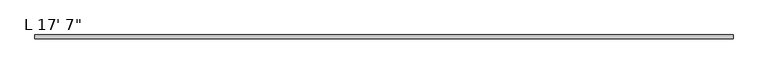
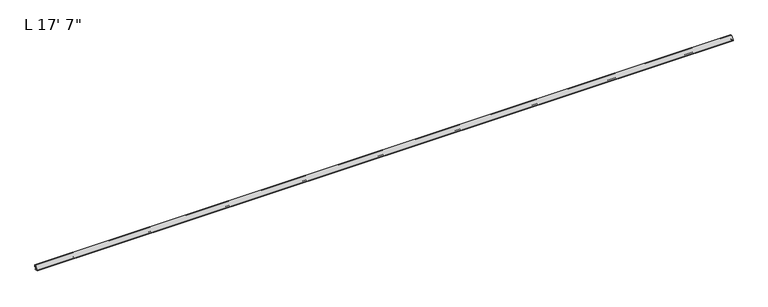
"""IFC4 building model written with IfcOpenShell, lengths in millimetres: proxy geometry."""

import ifcopenshell
import ifcopenshell.guid

model = None  # the IFC model being written
_history = None  # IfcOwnerHistory: only IFC2X3 demands one
_inside = {}  # id of a spatial element -> (the spatial element, [elements in it])
_under = {}  # id of a project, library or spatial element -> (it, [spatial elements below it])
_declared = {}  # id of a project -> (the project, [libraries it declares])
_typed = {}  # id of a type object -> (the type object, [elements of that type])
_made_of = {}  # id of a material, layer set ... -> (it, [elements and type objects made of it])


def new_model(schema):
    """Start an empty IFC model of exactly this schema.

    Asked for "IFC4X3", IfcOpenShell would pick the latest addendum, in which some entities
    have other attributes; the version numbers below select the first issue.
    IFC2X3 requires an IfcOwnerHistory on every rooted entity: one is made here for all.
    """
    global model, _history
    if schema == "IFC4X3":
        model = ifcopenshell.file(schema_version=(4, 3, 0, 0))
    else:
        model = ifcopenshell.file(schema=schema)
    _inside.clear()
    _under.clear()
    _declared.clear()
    _typed.clear()
    _made_of.clear()
    _history = None
    if model.schema == "IFC2X3":
        org = make("IfcOrganization", Name="unknown")
        user = make(
            "IfcPersonAndOrganization",
            ThePerson=make("IfcPerson", FamilyName="unknown"),
            TheOrganization=org,
        )
        app = make(
            "IfcApplication",
            ApplicationDeveloper=org,
            Version="unknown",
            ApplicationFullName="unknown",
            ApplicationIdentifier="unknown",
        )
        _history = make(
            "IfcOwnerHistory",
            OwningUser=user,
            OwningApplication=app,
            ChangeAction="ADDED",
            CreationDate=0,
        )
    return model


def make(cls, **values):
    """One entity of the class cls with the attributes given. An attribute that is None is left unset."""
    return model.create_entity(
        cls, **{name: value for name, value in values.items() if value is not None}
    )


def rooted(cls, **values):
    """An entity with a GlobalId (a new one), such as an element, a storey or a relation."""
    return make(cls, GlobalId=ifcopenshell.guid.new(), OwnerHistory=_history, **values)


def si_unit(unit_type, name, prefix=None):
    """IfcSIUnit, for example si_unit("LENGTHUNIT", "METRE", prefix="MILLI")."""
    return make("IfcSIUnit", UnitType=unit_type, Prefix=prefix, Name=name)


def assignment(units):
    """IfcUnitAssignment: the units of a project."""
    return None if units is None else make("IfcUnitAssignment", Units=units)


def point(xyz):
    """IfcCartesianPoint."""
    return None if xyz is None else make("IfcCartesianPoint", Coordinates=xyz)


def direction(xyz):
    """IfcDirection."""
    return None if xyz is None else make("IfcDirection", DirectionRatios=xyz)


def frame(location, z_axis=None, x_axis=None):
    """IfcAxis2Placement3D, a coordinate frame: its origin and axes. An axis left out is left unset."""
    return make(
        "IfcAxis2Placement3D",
        Location=point(location),
        Axis=direction(z_axis),
        RefDirection=direction(x_axis),
    )


def origin():
    """The frame at (0, 0, 0) with its axes left unset."""
    return frame((0.0, 0.0, 0.0))


def place(relative_to, where):
    """IfcLocalPlacement: puts the frame where relative to a parent placement (None: the world)."""
    return make(
        "IfcLocalPlacement", PlacementRelTo=relative_to, RelativePlacement=where
    )


def context(
    kind, dimensions, precision=None, world=None, true_north=None, identifier=None
):
    """IfcGeometricRepresentationContext, for example the 3D "Model" context."""
    return make(
        "IfcGeometricRepresentationContext",
        ContextIdentifier=identifier,
        ContextType=kind,
        CoordinateSpaceDimension=dimensions,
        Precision=precision,
        WorldCoordinateSystem=world,
        TrueNorth=true_north,
    )


def project(units=None, contexts=None):
    """IfcProject with its units and contexts."""
    return rooted(
        "IfcProject",
        Name="project",
        RepresentationContexts=contexts,
        UnitsInContext=assignment(units),
    )


def spatial(cls, under=None, at=None, **own):
    """A site, building, storey or space (cls), placed at a placement, below another one or the project."""
    s = rooted(cls, ObjectPlacement=at, **own)
    if under is not None:
        _under.setdefault(under.id(), (under, []))[1].append(s)
    return s


def polyline(points):
    """IfcPolyline through the points."""
    return make("IfcPolyline", Points=[point(p) for p in points])


def circle_curve(where, radius):
    """IfcCircle in the frame where."""
    return make("IfcCircle", Position=where, Radius=radius)


def shape(context_of_items, identifier, shape_type, items):
    """IfcShapeRepresentation: the items that make up one representation, for example the "Body"."""
    return make(
        "IfcShapeRepresentation",
        ContextOfItems=context_of_items,
        RepresentationIdentifier=identifier,
        RepresentationType=shape_type,
        Items=items,
    )


def source(mapping_origin, context_of_items, identifier, shape_type, items):
    """IfcRepresentationMap: a shape defined once, which mapped items show again and again."""
    return make(
        "IfcRepresentationMap",
        MappingOrigin=mapping_origin,
        MappedRepresentation=shape(context_of_items, identifier, shape_type, items),
    )


def transform(
    local_origin,
    x_axis=None,
    y_axis=None,
    z_axis=None,
    scale=None,
    scale2=None,
    scale3=None,
    uniform=True,
):
    """IfcCartesianTransformationOperator3D, or its non-uniform kind. x_axis, y_axis, z_axis: its Axis1, 2, 3."""
    if uniform:
        return make(
            "IfcCartesianTransformationOperator3D",
            Axis1=direction(x_axis),
            Axis2=direction(y_axis),
            LocalOrigin=point(local_origin),
            Scale=scale,
            Axis3=direction(z_axis),
        )
    return make(
        "IfcCartesianTransformationOperator3DnonUniform",
        Axis1=direction(x_axis),
        Axis2=direction(y_axis),
        LocalOrigin=point(local_origin),
        Scale=scale,
        Axis3=direction(z_axis),
        Scale2=scale2,
        Scale3=scale3,
    )


def mapped(mapping_source, mapping_target):
    """IfcMappedItem: shows the shape of a source again, moved by a transform."""
    return make(
        "IfcMappedItem", MappingSource=mapping_source, MappingTarget=mapping_target
    )


def made_of(thing, what):
    """Note that an element or type object is made of a material, layer set ...; save() writes the relation."""
    if what is not None:
        _made_of.setdefault(what.id(), (what, []))[1].append(thing)
    return thing


def element(
    cls,
    number,
    at=None,
    inside=None,
    cuts=None,
    type_object=None,
    material=None,
    context=None,
    identifier="Body",
    shape_type=None,
    held_by="IfcProductDefinitionShape",
    body=None,
    shapes=None,
    **own,
):
    """One element of the class cls, such as IfcWall. Its Tag is "e" and its number.

    at: its placement. inside: the storey or other place that contains it. cuts: it is an
    opening in that element (IfcRelVoidsElement). A single representation is given by context,
    identifier, shape_type and body (its items); several are given by shapes. held_by: the class
    of the entity that holds the representations. save() writes the other relations.
    """
    e = rooted(cls, Tag="e%d" % number, ObjectPlacement=at, **own)
    if body is not None:
        shapes = [shape(context, identifier, shape_type, body)]
    if shapes is not None:
        e.Representation = make(held_by, Representations=shapes)
    if inside is not None:
        _inside.setdefault(inside.id(), (inside, []))[1].append(e)
    if cuts is not None:
        rooted(
            "IfcRelVoidsElement", RelatingBuildingElement=cuts, RelatedOpeningElement=e
        )
    if type_object is not None:
        _typed.setdefault(type_object.id(), (type_object, []))[1].append(e)
    return made_of(e, material)


def aggregate(whole, parts):
    """IfcRelAggregates: a whole, such as a stair, and the parts it consists of."""
    return rooted("IfcRelAggregates", RelatingObject=whole, RelatedObjects=parts)


def save(model, path):
    """Write the relations noted so far, then the file.

    IfcRelAggregates (storeys below a building ...), IfcRelContainedInSpatialStructure (elements
    in a storey), IfcRelDefinesByType, IfcRelAssociatesMaterial and IfcRelDeclares: one each for
    every whole, place, type object, material and project.
    """
    for whole, parts in _under.values():
        aggregate(whole, parts)
    for where, things in _inside.values():
        rooted(
            "IfcRelContainedInSpatialStructure",
            RelatedElements=things,
            RelatingStructure=where,
        )
    for kind, things in _typed.values():
        rooted("IfcRelDefinesByType", RelatedObjects=things, RelatingType=kind)
    for what, things in _made_of.values():
        rooted("IfcRelAssociatesMaterial", RelatedObjects=things, RelatingMaterial=what)
    for by, libraries in _declared.values():
        rooted("IfcRelDeclares", RelatingContext=by, RelatedDefinitions=libraries)
    model.write(path)


def plane_surface(at):
    """IfcPlane: the flat surface through the origin of the frame at, square to its z axis."""
    return make("IfcPlane", Position=at)


def cylinder_surface(at, radius):
    """IfcCylindricalSurface: all points at the distance radius from the z axis of the frame at."""
    return make("IfcCylindricalSurface", Position=at, Radius=radius)


def revolved_surface(curve, axis_point, axis_direction):
    """IfcSurfaceOfRevolution: the curve turned about the line through axis_point along axis_direction."""
    return make(
        "IfcSurfaceOfRevolution",
        SweptCurve=make("IfcArbitraryOpenProfileDef", ProfileType="CURVE", Curve=curve),
        AxisPosition=make("IfcAxis1Placement", Location=point(axis_point), Axis=direction(axis_direction)),
    )


def advanced_brep(points, edges, surfaces, faces):
    """IfcAdvancedBrep: a solid bounded by faces that lie on surfaces and meet in shared edges.

    An edge is (start, end): straight between two places in points (the first is 0);
    or (start, end, curve); or (start, end, curve, False) where it runs against its curve.
    A face is (place in surfaces, loops), or (place, loops, False) where it looks against
    its surface's normal. A loop lists edges by number (the first is 1), with a minus sign
    where the edge is run from its end to its start. The first loop is the outer one.
    """
    corners = [point(p) for p in points]
    vertices = [make("IfcVertexPoint", VertexGeometry=c) for c in corners]
    made = []
    for start, end, *more in edges:
        made.append(
            make(
                "IfcEdgeCurve",
                EdgeStart=vertices[start],
                EdgeEnd=vertices[end],
                EdgeGeometry=more[0] if more else make("IfcPolyline", Points=[corners[start], corners[end]]),
                SameSense=more[1] if len(more) > 1 else True,
            )
        )
    hull = []
    for where, loops, *sense in faces:
        bounds = []
        for j, loop in enumerate(loops):
            ring = [make("IfcOrientedEdge", EdgeElement=made[abs(k) - 1], Orientation=k > 0) for k in loop]
            bounds.append(
                make(
                    "IfcFaceOuterBound" if j == 0 else "IfcFaceBound",
                    Bound=make("IfcEdgeLoop", EdgeList=ring),
                    Orientation=True,
                )
            )
        hull.append(make("IfcAdvancedFace", Bounds=bounds, FaceSurface=surfaces[where], SameSense=sense[0] if sense else True))
    return make("IfcAdvancedBrep", Outer=make("IfcClosedShell", CfsFaces=hull))


def proxy_d86f5d66(model_context):
    return source(origin(), model_context, "Body", "AdvancedBrep", [
        advanced_brep(
        [(5359.4, -9.9409866, 13.2079309), (5359.4, -25.2852988, 13.2299581), (5359.4, -26.8577822, 15.0181548), (5359.4, -3.421819, 38.3869285), (5359.4, -1.6381444, 36.8093175), (5359.4, -1.6445801, 32.3261378), (5359.4, -3.2187765, 30.7409724), (5359.4, -4.8423977, 30.4486422), (5359.4, -5.8886785, 28.9585271), (5359.4, -5.8942106, 25.1047795), (5359.4, -4.408503, 24.3218465), (5359.4, -4.408503, 25.2753318), (5359.4, -4.6453387, 26.1592146), (5359.4, -4.408503, 27.0430975), (5359.4, -4.6453387, 27.9269803), (5359.4, -4.3772219, 28.9276058), (5359.4, -2.0782154, 28.964728), (5359.4, -1.8001518, 27.9269803), (5359.4, -2.0369875, 27.0430975), (5359.4, -1.8001518, 26.1592146), (5359.4, -2.0369875, 25.2753318), (5359.4, -2.0369875, 24.3042215), (5359.4, -0.7961613, 24.3024403), (5359.4, 0.0, 25.0974594), (5359.4, 0.0, 40.1811514), (5359.4, -28.661793, 11.6473035), (5359.4, -24.9209577, 11.6419334), (5359.4, -21.7713609, 11.6374121), (5359.4, -17.1866657, 11.6308306), (5359.4, -14.0370689, 11.6263093), (5359.4, -11.2811717, 11.6223531), (5359.4, -9.6959523, 10.0325759), (5359.4, -7.9637322, 10.0325759), (5359.4, -8.1699585, 9.0623577), (5359.4, -7.9490433, 8.2919351), (5359.4, -8.1398857, 7.5265082), (5359.4, -7.972318, 6.7214745), (5359.4, -8.1655958, 5.9462793), (5359.4, -7.9834986, 5.0714427), (5359.4, -8.1776372, 4.2927955), (5359.4, -7.9880038, 3.3817532), (5359.4, -8.1786509, 2.4848291), (5359.4, -7.9862027, 1.6851507), (5359.4, -8.1553262, 0.8894873), (5359.4, -7.8893268, 0.0060645), (5359.4, -6.1091347, 0.0), (5359.4, -5.5808077, 0.6581076), (5359.4, -5.9684988, 1.3575208), (5359.4, -5.6321023, 2.0789255), (5359.4, -5.9631778, 2.7889192), (5359.4, -5.6042879, 3.5585611), (5359.4, -5.934397, 4.2664822), (5359.4, -5.5944321, 4.9955392), (5359.4, -5.9294957, 5.7140853), (5359.4, -5.5991801, 6.4224493), (5359.4, -6.0051261, 7.0980568), (5359.4, -5.5986989, 7.8345551), (5359.4, -5.9337229, 8.5870312), (5359.4, -5.5657997, 9.2789941), (5359.4, -5.8977295, 9.99082), (5359.4, -5.8977295, 11.6146251), (0.0, -9.9409866, 13.2079309), (0.0, -5.8977295, 11.6146251), (0.0, -5.8977295, 9.99082), (0.0, -9.6959523, 10.0325759), (0.0, -11.2811717, 11.6223531), (0.0, -14.0370689, 11.6263093), (0.0, -17.1866657, 11.6308306), (0.0, -21.7713609, 11.6374121), (0.0, -24.9209577, 11.6419334), (0.0, -28.661793, 11.6473035), (0.0, 0.0, 40.1811514), (0.0, 0.0, 25.0974594), (0.0, -0.7961613, 24.3024403), (0.0, -2.0369875, 24.3042215), (0.0, -2.0369875, 25.2753318), (0.0, -1.8001518, 26.1592146), (0.0, -2.0369875, 27.0430975), (0.0, -1.8001518, 27.9269803), (0.0, -2.0782154, 28.964728), (0.0, -4.3772219, 28.9276058), (0.0, -4.6453387, 27.9269803), (0.0, -4.408503, 27.0430975), (0.0, -4.6453387, 26.1592146), (0.0, -4.408503, 25.2753318), (0.0, -4.408503, 24.3218465), (0.0, -5.8942106, 25.1047795), (0.0, -5.8886785, 28.9585271), (0.0, -4.8423977, 30.4486422), (0.0, -3.2187765, 30.7409724), (0.0, -1.6445801, 32.3261378), (0.0, -1.6381444, 36.8093175), (0.0, -3.421819, 38.3869285), (0.0, -26.8577822, 15.0181548), (0.0, -25.2852988, 13.2299581), (50.8, -5.8977295, 10.0325759), (50.8, -7.9637322, 10.0325759), (50.8, -8.1699585, 9.0623577), (50.8, -7.9490433, 8.2919351), (50.8, -8.1398857, 7.5265082), (50.8, -7.972318, 6.7214745), (50.8, -8.1655958, 5.9462793), (50.8, -7.9834986, 5.0714427), (50.8, -8.1776372, 4.2927955), (50.8, -7.9880038, 3.3817532), (50.8, -8.1786509, 2.4848291), (50.8, -7.9862027, 1.6851507), (50.8, -8.1553262, 0.8894873), (50.8, -7.8893268, 0.0060645), (50.8, -6.1091347, 0.0), (50.8, -5.5808077, 0.6581076), (50.8, -5.9684988, 1.3575208), (50.8, -5.6321023, 2.0789255), (50.8, -5.9631778, 2.7889192), (50.8, -5.6042879, 3.5585611), (50.8, -5.934397, 4.2664822), (50.8, -5.5944321, 4.9955392), (50.8, -5.9294957, 5.7140853), (50.8, -5.5991801, 6.4224493), (50.8, -6.0051261, 7.0980568), (50.8, -5.5986989, 7.8345551), (50.8, -5.9337229, 8.5870312), (50.8, -5.5657997, 9.2789941)],
        [
            (0, 1),
            (1, 2, circle_curve(frame((5359.4, -25.2830199, 14.8174564), z_axis=(-1.0, 0.0, 0.0), x_axis=(0.0, 1.0, 0.0)), 1.5875)),
            (2, 3, circle_curve(frame((5359.4, -0.0868224, 11.6062833), z_axis=(-1.0, 0.0, 0.0), x_axis=(0.0, 1.0, 0.0)), 26.9875)),
            (3, 4, circle_curve(frame((5359.4, -3.2256427, 36.8115964), z_axis=(-1.0, 0.0, 0.0), x_axis=(0.0, 1.0, 0.0)), 1.5875)),
            (4, 5),
            (5, 6, circle_curve(frame((5359.4, -3.2320785, 32.3284167), z_axis=(-1.0, 0.0, 0.0), x_axis=(0.0, 1.0, 0.0)), 1.5875)),
            (6, 7, circle_curve(frame((5359.4, -3.1778658, 25.8587375), z_axis=(1.0, 0.0, 0.0), x_axis=(0.0, 1.0, 0.0)), 4.8824063)),
            (7, 8, circle_curve(frame((5359.4, -4.3011801, 28.9562482), z_axis=(1.0, 0.0, 0.0), x_axis=(0.0, 1.0, 0.0)), 1.5875)),
            (8, 9),
            (9, 10, circle_curve(frame((5359.4, -4.6497232, 25.6652219), z_axis=(1.0, 0.0, 0.0), x_axis=(0.0, 1.0, 0.0)), 1.3648606)),
            (10, 11),
            (11, 12),
            (12, 13),
            (13, 14),
            (14, 15),
            (15, 16, circle_curve(frame((5359.4, -3.1778658, 25.8587375), z_axis=(-1.0, 0.0, 0.0), x_axis=(0.0, 1.0, 0.0)), 3.2949063)),
            (16, 17),
            (17, 18),
            (18, 19),
            (19, 20),
            (20, 21),
            (21, 22),
            (22, 23, circle_curve(frame((5359.4, -0.79502, 25.0974594), z_axis=(1.0, 0.0, 0.0), x_axis=(0.0, 1.0, 0.0)), 0.79502)),
            (23, 24),
            (24, 25, circle_curve(frame((5359.4, -0.0868224, 11.6062833), z_axis=(1.0, 0.0, 0.0), x_axis=(0.0, 1.0, 0.0)), 28.575)),
            (25, 26),
            (26, 27, circle_curve(frame((5359.4, -23.3461593, 11.6396728), z_axis=(1.0, 0.0, 0.0), x_axis=(0.0, 1.0, 0.0)), 1.5748)),
            (27, 28),
            (28, 29, circle_curve(frame((5359.4, -15.6117367, 11.7195553), z_axis=(1.0, 0.0, 0.0), x_axis=(0.0, 1.0, 0.0)), 1.5774262)),
            (29, 30),
            (30, 31, circle_curve(frame((5359.4, -11.2834506, 10.0348548), z_axis=(-1.0, 0.0, 0.0), x_axis=(0.0, 1.0, 0.0)), 1.5875)),
            (31, 32),
            (32, 33),
            (33, 34),
            (34, 35),
            (35, 36),
            (36, 37),
            (37, 38),
            (38, 39),
            (39, 40),
            (40, 41),
            (41, 42),
            (42, 43),
            (43, 44),
            (44, 45, circle_curve(frame((5359.4, -7.0030343, -1.113481), z_axis=(-1.0, 0.0, 0.0), x_axis=(0.0, 1.0, 0.0)), 1.4278993)),
            (45, 46),
            (46, 47),
            (47, 48),
            (48, 49),
            (49, 50),
            (50, 51),
            (51, 52),
            (52, 53),
            (53, 54),
            (54, 55),
            (55, 56),
            (56, 57),
            (57, 58),
            (58, 59),
            (59, 60),
            (60, 0),
            (61, 62),
            (62, 63),
            (63, 64),
            (64, 65, circle_curve(frame((0.0, -11.2834506, 10.0348548), z_axis=(1.0, 0.0, 0.0), x_axis=(0.0, 1.0, 0.0)), 1.5875)),
            (65, 66),
            (66, 67, circle_curve(frame((0.0, -15.6117367, 11.7195553), z_axis=(-1.0, 0.0, 0.0), x_axis=(0.0, 1.0, 0.0)), 1.5774262)),
            (67, 68),
            (68, 69, circle_curve(frame((0.0, -23.3461593, 11.6396728), z_axis=(-1.0, 0.0, 0.0), x_axis=(0.0, 1.0, 0.0)), 1.5748)),
            (69, 70),
            (70, 71, circle_curve(frame((0.0, -0.0868224, 11.6062833), z_axis=(-1.0, 0.0, 0.0), x_axis=(0.0, 1.0, 0.0)), 28.575)),
            (71, 72),
            (72, 73, circle_curve(frame((0.0, -0.79502, 25.0974594), z_axis=(-1.0, 0.0, 0.0), x_axis=(0.0, 1.0, 0.0)), 0.79502)),
            (73, 74),
            (74, 75),
            (75, 76),
            (76, 77),
            (77, 78),
            (78, 79),
            (79, 80, circle_curve(frame((0.0, -3.1778658, 25.8587375), z_axis=(1.0, 0.0, 0.0), x_axis=(0.0, 1.0, 0.0)), 3.2949063)),
            (80, 81),
            (81, 82),
            (82, 83),
            (83, 84),
            (84, 85),
            (85, 86, circle_curve(frame((0.0, -4.6497232, 25.6652219), z_axis=(-1.0, 0.0, 0.0), x_axis=(0.0, 1.0, 0.0)), 1.3648606)),
            (86, 87),
            (87, 88, circle_curve(frame((0.0, -4.3011801, 28.9562482), z_axis=(-1.0, 0.0, 0.0), x_axis=(0.0, 1.0, 0.0)), 1.5875)),
            (88, 89, circle_curve(frame((0.0, -3.1778658, 25.8587375), z_axis=(-1.0, 0.0, 0.0), x_axis=(0.0, 1.0, 0.0)), 4.8824063)),
            (89, 90, circle_curve(frame((0.0, -3.2320785, 32.3284167), z_axis=(1.0, 0.0, 0.0), x_axis=(0.0, 1.0, 0.0)), 1.5875)),
            (90, 91),
            (91, 92, circle_curve(frame((0.0, -3.2256427, 36.8115964), z_axis=(1.0, 0.0, 0.0), x_axis=(0.0, 1.0, 0.0)), 1.5875)),
            (92, 93, circle_curve(frame((0.0, -0.0868224, 11.6062833), z_axis=(1.0, 0.0, 0.0), x_axis=(0.0, 1.0, 0.0)), 26.9875)),
            (93, 94, circle_curve(frame((0.0, -25.2830199, 14.8174564), z_axis=(1.0, 0.0, 0.0), x_axis=(0.0, 1.0, 0.0)), 1.5875)),
            (94, 61),
            (0, 61),
            (94, 1),
            (93, 2),
            (92, 3),
            (91, 4),
            (90, 5),
            (89, 6),
            (88, 7),
            (87, 8),
            (86, 9),
            (85, 10),
            (84, 11),
            (83, 12),
            (82, 13),
            (81, 14),
            (80, 15),
            (79, 16),
            (78, 17),
            (77, 18),
            (76, 19),
            (75, 20),
            (74, 21),
            (73, 22),
            (72, 23),
            (71, 24),
            (70, 25),
            (69, 26),
            (68, 27),
            (67, 28),
            (66, 29),
            (65, 30),
            (64, 31),
            (63, 95),
            (95, 96),
            (96, 32),
            (96, 97),
            (97, 33),
            (97, 98),
            (98, 34),
            (98, 99),
            (99, 35),
            (99, 100),
            (100, 36),
            (100, 101),
            (101, 37),
            (101, 102),
            (102, 38),
            (102, 103),
            (103, 39),
            (103, 104),
            (104, 40),
            (104, 105),
            (105, 41),
            (105, 106),
            (106, 42),
            (106, 107),
            (107, 43),
            (107, 108),
            (108, 44),
            (108, 109, circle_curve(frame((50.8, -7.0030343, -1.113481), z_axis=(-1.0, 0.0, 0.0), x_axis=(0.0, 1.0, 0.0)), 1.4278993)),
            (109, 45),
            (109, 110),
            (110, 46),
            (110, 111),
            (111, 47),
            (111, 112),
            (112, 48),
            (112, 113),
            (113, 49),
            (113, 114),
            (114, 50),
            (114, 115),
            (115, 51),
            (115, 116),
            (116, 52),
            (116, 117),
            (117, 53),
            (117, 118),
            (118, 54),
            (118, 119),
            (119, 55),
            (119, 120),
            (120, 56),
            (120, 121),
            (121, 57),
            (121, 122),
            (122, 58),
            (122, 95),
            (95, 59),
            (62, 60),
        ],
        [
            plane_surface(frame((5359.4, -25.2852988, 13.2299581), z_axis=(1.0000000000000002, 0.0, 0.0), x_axis=(0.0, -0.9999989696321183, 0.0014355259321180123))),
            plane_surface(frame((0.0, -25.2852988, 13.2299581), z_axis=(-1.0000000000000002, 0.0, 0.0), x_axis=(0.0, 0.9999989696321183, -0.0014355259321180123))),
            plane_surface(frame((5359.4, -9.9409866, 13.2079309), z_axis=(0.0, 0.0014355259321180123, 0.9999989696321183), x_axis=(-1.0, 0.0, 0.0))),
            revolved_surface(polyline([(0.0, -23.6955199, 14.8174564), (5359.4, -23.6955199, 14.8174564)]), (0.0, -25.2830199, 14.8174564), (-1.0, 0.0, 0.0)),
            revolved_surface(polyline([(0.0, 26.9006776, 11.6062833), (5359.4, 26.9006776, 11.6062833)]), (0.0, -0.0868224, 11.6062833), (-1.0, 0.0, 0.0)),
            revolved_surface(polyline([(0.0, -1.6381427, 36.8115964), (5359.4, -1.6381427, 36.8115964)]), (0.0, -3.2256427, 36.8115964), (-1.0, 0.0, 0.0)),
            plane_surface(frame((5359.4, -1.6381444, 36.8093175), z_axis=(0.0, -0.9999989696321232, 0.0014355259287207938), x_axis=(-1.0, 0.0, 0.0))),
            revolved_surface(polyline([(0.0, -1.6445785000000002, 32.3284167), (5359.4, -1.6445785000000002, 32.3284167)]), (0.0, -3.2320785, 32.3284167), (-1.0, 0.0, 0.0)),
            cylinder_surface(frame((0.0, -3.1778658, 25.8587375), z_axis=(1.0, 0.0, 0.0), x_axis=(0.0, 1.0, 0.0)), 4.8824063),
            cylinder_surface(frame((0.0, -4.3011801, 28.9562482), z_axis=(1.0, 0.0, 0.0), x_axis=(0.0, 1.0, 0.0)), 1.5875),
            plane_surface(frame((5359.4, -5.8886785, 28.9585271), z_axis=(0.0, -0.9999989696323093, 0.0014355257991508098), x_axis=(-1.0, 0.0, 0.0))),
            cylinder_surface(frame((0.0, -4.6497232, 25.6652219), z_axis=(1.0, 0.0, 0.0), x_axis=(0.0, 1.0, 0.0)), 1.3648606),
            plane_surface(frame((5359.4, -4.408503, 24.3218465), z_axis=(0.0, 1.0, 0.0), x_axis=(-1.0, 0.0, 0.0))),
            plane_surface(frame((5359.4, -4.408503, 25.2753318), z_axis=(0.0, 0.965925826289068, 0.2588190451025222), x_axis=(-1.0, 0.0, 0.0))),
            plane_surface(frame((5359.4, -4.6453387, 26.1592146), z_axis=(0.0, 0.965925826289067, -0.2588190451025257), x_axis=(-1.0, 0.0, 0.0))),
            plane_surface(frame((5359.4, -4.408503, 27.0430975), z_axis=(0.0, 0.9659258262890689, 0.25881904510251874), x_axis=(-1.0, 0.0, 0.0))),
            plane_surface(frame((5359.4, -4.6453387, 27.9269803), z_axis=(0.0, 0.9659258262890673, -0.25881904510252446), x_axis=(-1.0, 0.0, 0.0))),
            revolved_surface(polyline([(0.0, 0.11704049999999988, 25.8587375), (5359.4, 0.11704049999999988, 25.8587375)]), (0.0, -3.1778658, 25.8587375), (-1.0, 0.0, 0.0)),
            plane_surface(frame((5359.4, -2.0782154, 28.964728), z_axis=(0.0, -0.9659258262890682, -0.2588190451025213), x_axis=(-1.0, 0.0, 0.0))),
            plane_surface(frame((5359.4, -1.8001518, 27.9269803), z_axis=(0.0, -0.9659258262890678, 0.2588190451025232), x_axis=(-1.0, 0.0, 0.0))),
            plane_surface(frame((5359.4, -2.0369875, 27.0430975), z_axis=(0.0, -0.9659258262890688, -0.25881904510251924), x_axis=(-1.0, 0.0, 0.0))),
            plane_surface(frame((5359.4, -1.8001518, 26.1592146), z_axis=(0.0, -0.9659258262890672, 0.25881904510252524), x_axis=(-1.0, 0.0, 0.0))),
            plane_surface(frame((5359.4, -2.0369875, 25.2753318), z_axis=(0.0, -1.0, 0.0), x_axis=(-1.0, 0.0, 0.0))),
            plane_surface(frame((5359.4, -2.0369875, 24.3042215), z_axis=(0.0, -0.0014355258693928513, -0.9999989696322084), x_axis=(-1.0, 0.0, 0.0))),
            cylinder_surface(frame((0.0, -0.79502, 25.0974594), z_axis=(1.0, 0.0, 0.0), x_axis=(0.0, 1.0, 0.0)), 0.79502),
            plane_surface(frame((5359.4, 0.0, 25.0974594), z_axis=(0.0, 1.0, -1.6740181840680922e-12), x_axis=(-1.0, 0.0, 0.0))),
            cylinder_surface(frame((0.0, -0.0868224, 11.6062833), z_axis=(1.0, 0.0, 0.0), x_axis=(0.0, 1.0, 0.0)), 28.575),
            plane_surface(frame((5359.4, -28.661793, 11.6473035), z_axis=(0.0, -0.0014355259265452364, -0.9999989696321263), x_axis=(-1.0, 0.0, 0.0))),
            cylinder_surface(frame((0.0, -23.3461593, 11.6396728), z_axis=(1.0, 0.0, 0.0), x_axis=(0.0, 1.0, 0.0)), 1.5748),
            plane_surface(frame((5359.4, -21.7713609, 11.6374121), z_axis=(0.0, -0.0014355259252456774, -0.9999989696321282), x_axis=(-1.0, 0.0, 0.0))),
            cylinder_surface(frame((0.0, -15.6117367, 11.7195553), z_axis=(1.0, 0.0, 0.0), x_axis=(0.0, 1.0, 0.0)), 1.5774262),
            plane_surface(frame((5359.4, -14.0370689, 11.6263093), z_axis=(0.0, -0.0014355258904069552, -0.9999989696321782), x_axis=(-1.0, 0.0, 0.0))),
            revolved_surface(polyline([(0.0, -9.6959506, 10.0348548), (5359.4, -9.6959506, 10.0348548)]), (0.0, -11.2834506, 10.0348548), (-1.0, 0.0, 0.0)),
            plane_surface(frame((5359.4, -9.6959523, 10.0325759), z_axis=(0.0, 0.0, -1.0), x_axis=(-1.0, 0.0, 0.0))),
            plane_surface(frame((5359.4, -7.9637322, 10.0325759), z_axis=(0.0, -0.9781476007338082, 0.20791169081774724), x_axis=(-1.0, 0.0, 0.0))),
            plane_surface(frame((5359.4, -8.1699585, 9.0623577), z_axis=(0.0, -0.9612616959383189, -0.275637355816999), x_axis=(-1.0, 0.0, 0.0))),
            plane_surface(frame((5359.4, -7.9490433, 8.2919351), z_axis=(0.0, -0.9702957262759963, 0.2419218955996685), x_axis=(-1.0, 0.0, 0.0))),
            plane_surface(frame((5359.4, -8.1398857, 7.5265082), z_axis=(0.0, -0.979016250472178, -0.20378219085925484), x_axis=(-1.0, 0.0, 0.0))),
            plane_surface(frame((5359.4, -7.972318, 6.7214745), z_axis=(0.0, -0.9702957262759963, 0.24192189559966876), x_axis=(-1.0, 0.0, 0.0))),
            plane_surface(frame((5359.4, -8.1655958, 5.9462793), z_axis=(0.0, -0.9790162504721779, -0.20378219085925506), x_axis=(-1.0, 0.0, 0.0))),
            plane_surface(frame((5359.4, -7.9834986, 5.0714427), z_axis=(0.0, -0.9702957262759974, 0.24192189559966443), x_axis=(-1.0, 0.0, 0.0))),
            plane_surface(frame((5359.4, -8.1776372, 4.2927955), z_axis=(0.0, -0.9790162504721778, -0.20378219085925559), x_axis=(-1.0, 0.0, 0.0))),
            plane_surface(frame((5359.4, -7.9880038, 3.3817532), z_axis=(0.0, -0.978147600733807, 0.20791169081775282), x_axis=(-1.0, 0.0, 0.0))),
            plane_surface(frame((5359.4, -8.1786509, 2.4848291), z_axis=(0.0, -0.9722421717392606, -0.23397683537420133), x_axis=(-1.0, 0.0, 0.0))),
            plane_surface(frame((5359.4, -7.9862027, 1.6851507), z_axis=(0.0, -0.978147600733807, 0.2079116908177529), x_axis=(-1.0, 0.0, 0.0))),
            plane_surface(frame((5359.4, -8.1553262, 0.8894873), z_axis=(0.0, -0.9575356612911569, -0.2883148580210653), x_axis=(-1.0, 0.0, 0.0))),
            revolved_surface(polyline([(50.8, -5.575135, -1.113481), (5359.4, -5.575135, -1.113481)]), (0.0, -7.0030343, -1.113481), (-1.0, 0.0, 0.0)),
            plane_surface(frame((5359.4, -6.1091347, 0.0), z_axis=(0.0, 0.7798035897341163, -0.6260242498799756), x_axis=(-1.0, 0.0, 0.0))),
            plane_surface(frame((5359.4, -5.5808077, 0.6581076), z_axis=(0.0, 0.8746197071393959, 0.48480962024633695), x_axis=(-1.0, 0.0, 0.0))),
            plane_surface(frame((5359.4, -5.9684988, 1.3575208), z_axis=(0.0, 0.9063077870366543, -0.42261826174069034), x_axis=(-1.0, 0.0, 0.0))),
            plane_surface(frame((5359.4, -5.6321023, 2.0789255), z_axis=(0.0, 0.9063077870366497, 0.4226182617407002), x_axis=(-1.0, 0.0, 0.0))),
            plane_surface(frame((5359.4, -5.9631778, 2.7889192), z_axis=(0.0, 0.9063077870366467, -0.4226182617407064), x_axis=(-1.0, 0.0, 0.0))),
            plane_surface(frame((5359.4, -5.6042879, 3.5585611), z_axis=(0.0, 0.9063077870366527, 0.4226182617406936), x_axis=(-1.0, 0.0, 0.0))),
            plane_surface(frame((5359.4, -5.934397, 4.2664822), z_axis=(0.0, 0.9063077870366474, -0.4226182617407052), x_axis=(-1.0, 0.0, 0.0))),
            plane_surface(frame((5359.4, -5.5944321, 4.9955392), z_axis=(0.0, 0.9063077870366503, 0.42261826174069883), x_axis=(-1.0, 0.0, 0.0))),
            plane_surface(frame((5359.4, -5.9294957, 5.7140853), z_axis=(0.0, 0.9063077870366522, -0.4226182617406949), x_axis=(-1.0, 0.0, 0.0))),
            plane_surface(frame((5359.4, -5.5991801, 6.4224493), z_axis=(0.0, 0.8571673007021121, 0.5150380749100546), x_axis=(-1.0, 0.0, 0.0))),
            plane_surface(frame((5359.4, -6.0051261, 7.0980568), z_axis=(0.0, 0.8755358100350454, -0.48315323174566155), x_axis=(-1.0, 0.0, 0.0))),
            plane_surface(frame((5359.4, -5.5986989, 7.8345551), z_axis=(0.0, 0.9135454576426009, 0.4067366430758003), x_axis=(-1.0, 0.0, 0.0))),
            plane_surface(frame((5359.4, -5.9337229, 8.5870312), z_axis=(0.0, 0.8829475928589274, -0.46947156278588986), x_axis=(-1.0, 0.0, 0.0))),
            plane_surface(frame((5359.4, -5.5657997, 9.2789941), z_axis=(0.0, 0.9063077870366524, 0.4226182617406945), x_axis=(-1.0, 0.0, 0.0))),
            plane_surface(frame((5359.4, -5.8977295, 9.99082), z_axis=(0.0, 1.0, 0.0), x_axis=(-1.0, 0.0, 0.0))),
            plane_surface(frame((5359.4, -5.8977295, 11.6146251), z_axis=(0.0, 0.36662562361540507, 0.9303685571366948), x_axis=(-1.0, 0.0, 0.0))),
            plane_surface(frame((50.8, -10.2605909, 0.0), z_axis=(-1.0, 0.0, 0.0), x_axis=(0.0, 1.0, 0.0))),
        ],
        [
            (0, [[1, 2, 3, 4, 5, 6, 7, 8, 9, 10, 11, 12, 13, 14, 15, 16, 17, 18, 19, 20, 21, 22, 23, 24, 25, 26, 27, 28, 29, 30, 31, 32, 33, 34, 35, 36, 37, 38, 39, 40, 41, 42, 43, 44, 45, 46, 47, 48, 49, 50, 51, 52, 53, 54, 55, 56, 57, 58, 59, 60, 61]]),
            (1, [[62, 63, 64, 65, 66, 67, 68, 69, 70, 71, 72, 73, 74, 75, 76, 77, 78, 79, 80, 81, 82, 83, 84, 85, 86, 87, 88, 89, 90, 91, 92, 93, 94, 95]]),
            (2, [[-1, 96, -95, 97]]),
            (3, [[-2, -97, -94, 98]]),
            (4, [[-3, -98, -93, 99]]),
            (5, [[-4, -99, -92, 100]]),
            (6, [[-5, -100, -91, 101]]),
            (7, [[-6, -101, -90, 102]]),
            (8, [[-7, -102, -89, 103]]),
            (9, [[-8, -103, -88, 104]]),
            (10, [[-9, -104, -87, 105]]),
            (11, [[-10, -105, -86, 106]]),
            (12, [[-11, -106, -85, 107]]),
            (13, [[-12, -107, -84, 108]]),
            (14, [[-13, -108, -83, 109]]),
            (15, [[-14, -109, -82, 110]]),
            (16, [[-15, -110, -81, 111]]),
            (17, [[-16, -111, -80, 112]]),
            (18, [[-17, -112, -79, 113]]),
            (19, [[-18, -113, -78, 114]]),
            (20, [[-19, -114, -77, 115]]),
            (21, [[-20, -115, -76, 116]]),
            (22, [[-21, -116, -75, 117]]),
            (23, [[-22, -117, -74, 118]]),
            (24, [[-23, -118, -73, 119]]),
            (25, [[-24, -119, -72, 120]]),
            (26, [[-25, -120, -71, 121]]),
            (27, [[-26, -121, -70, 122]]),
            (28, [[-27, -122, -69, 123]]),
            (29, [[-28, -123, -68, 124]]),
            (30, [[-29, -124, -67, 125]]),
            (31, [[-30, -125, -66, 126]]),
            (32, [[127, -31, -126, -65]]),
            (33, [[-32, -127, -64, 128, 129, 130]]),
            (34, [[-33, -130, 131, 132]]),
            (35, [[-34, -132, 133, 134]]),
            (36, [[-35, -134, 135, 136]]),
            (37, [[-36, -136, 137, 138]]),
            (38, [[-37, -138, 139, 140]]),
            (39, [[-38, -140, 141, 142]]),
            (40, [[-39, -142, 143, 144]]),
            (41, [[-40, -144, 145, 146]]),
            (42, [[-41, -146, 147, 148]]),
            (43, [[-42, -148, 149, 150]]),
            (44, [[-43, -150, 151, 152]]),
            (45, [[-44, -152, 153, 154]]),
            (46, [[-45, -154, 155, 156]]),
            (47, [[-46, -156, 157, 158]]),
            (48, [[-47, -158, 159, 160]]),
            (49, [[-48, -160, 161, 162]]),
            (50, [[-49, -162, 163, 164]]),
            (51, [[-50, -164, 165, 166]]),
            (52, [[-51, -166, 167, 168]]),
            (53, [[-52, -168, 169, 170]]),
            (54, [[-53, -170, 171, 172]]),
            (55, [[-54, -172, 173, 174]]),
            (56, [[-55, -174, 175, 176]]),
            (57, [[-56, -176, 177, 178]]),
            (58, [[-57, -178, 179, 180]]),
            (59, [[-58, -180, 181, 182]]),
            (60, [[-59, -182, 183, 184]]),
            (61, [[-60, -184, -128, -63, 185]]),
            (62, [[-61, -185, -62, -96]]),
            (63, [[-129, -183, -181, -179, -177, -175, -173, -171, -169, -167, -165, -163, -161, -159, -157, -155, -153, -151, -149, -147, -145, -143, -141, -139, -137, -135, -133, -131]]),
        ],
    ),
    ])


if __name__ == "__main__":
    model = new_model("IFC4")
    model_context = context("Model", 3, world=origin())
    ifc_project = project(units=[si_unit("LENGTHUNIT", "METRE", prefix="MILLI")], contexts=[model_context])
    site = spatial("IfcSite", under=ifc_project)
    building = spatial("IfcBuilding", under=site)
    placement = place(None, origin())
    proxy_shape = proxy_d86f5d66(model_context)
    element("IfcBuildingElementProxy", 1, Name="L 17' 7\"", ObjectType="L 17' 7\"", at=placement, inside=building, context=model_context, shape_type="MappedRepresentation", body=[
        mapped(proxy_shape, transform((0.0, 0.0, 0.0), x_axis=(1.0, 0.0, 0.0), y_axis=(0.0, 1.0, 0.0), z_axis=(0.0, 0.0, 1.0))),
    ])
    save(model, "model.ifc")
